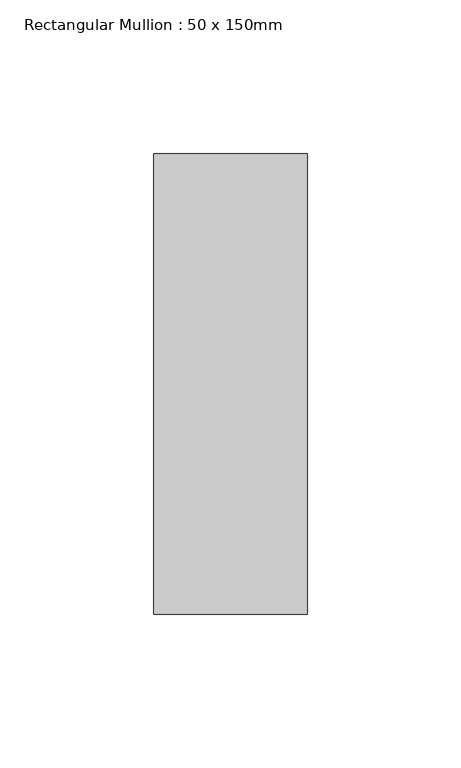
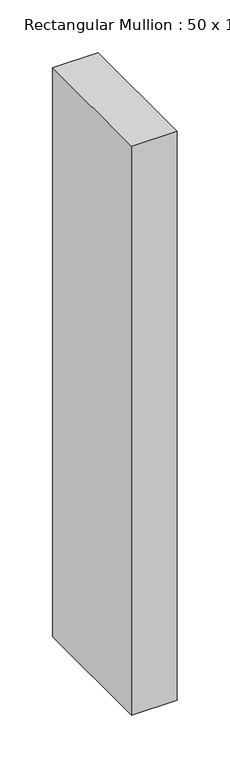
"""IFC4 building model written with IfcOpenShell, lengths in millimetres: member geometry, Rectangular Mullion : 50 x 150mm."""

from ifc_helpers import new_model, si_unit, frame, origin, place, context, project, spatial, polyline, outline, extrude, source, transform, mapped, element, save


def rectangular_mullion_50_x_150mm_94671456(model_context):
    return source(origin(), model_context, "Body", "SweptSolid", [
        extrude(outline(polyline([(25.0, 75.0), (25.0, -75.0), (-25.0, -75.0), (-25.0, 75.0), (25.0, 75.0)])), frame((0.0, 0.0, -659.0), z_axis=(0.0, 0.0, 1.0), x_axis=(1.0, 0.0, 0.0)), (0.0, 0.0, 1.0), 659.0),
    ])


if __name__ == "__main__":
    model = new_model("IFC4")
    model_context = context("Model", 3, world=origin())
    ifc_project = project(units=[si_unit("LENGTHUNIT", "METRE", prefix="MILLI")], contexts=[model_context])
    site = spatial("IfcSite", under=ifc_project)
    building = spatial("IfcBuilding", under=site)
    placement = place(None, origin())
    rectangular_mullion_50_x_150mm_shape = rectangular_mullion_50_x_150mm_94671456(model_context)
    element("IfcMember", 1, ObjectType="Rectangular Mullion : 50 x 150mm", at=placement, inside=building, context=model_context, shape_type="MappedRepresentation", body=[
        mapped(rectangular_mullion_50_x_150mm_shape, transform((0.0, 0.0, 0.0), x_axis=(1.0, 0.0, 0.0), y_axis=(0.0, 1.0, 0.0), z_axis=(0.0, 0.0, 1.0))),
    ])
    save(model, "model.ifc")
